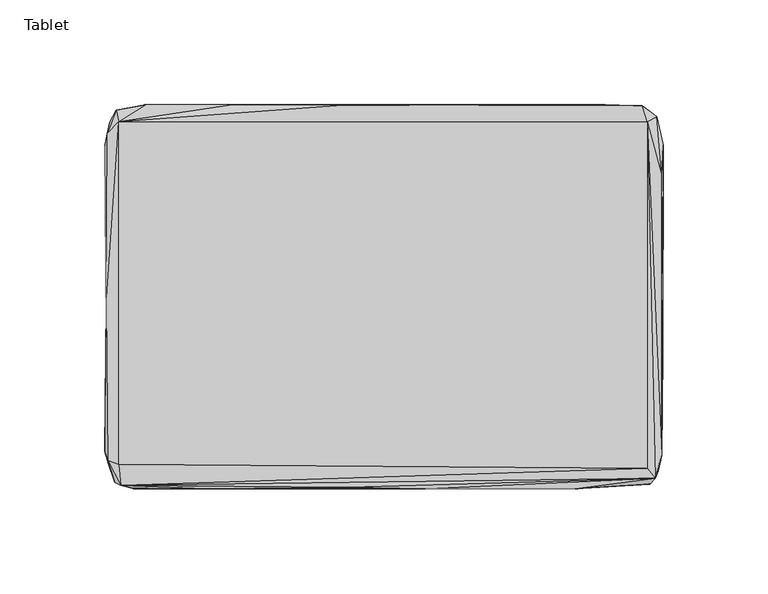
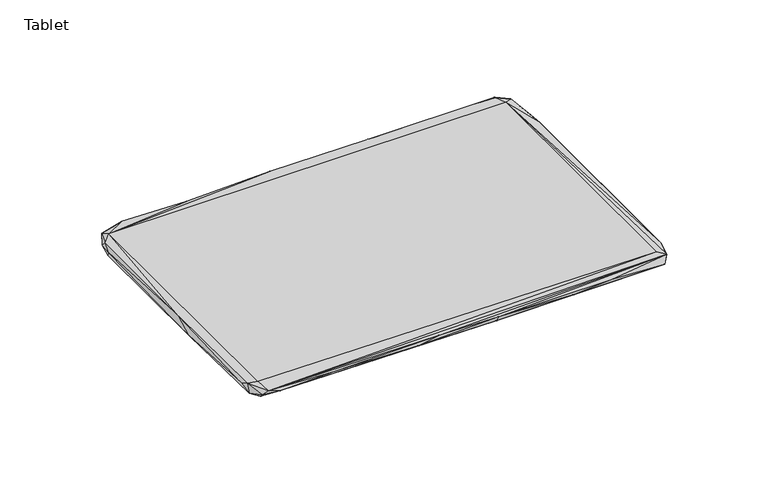
"""IFC4 building model written with IfcOpenShell, lengths in millimetres: furniture geometry, Tablet."""

from ifc_helpers import new_model, si_unit, origin, place, context, project, spatial, triangles, source, transform, mapped, element, save


def tablet_409a321f(model_context):
    return source(origin(), model_context, "Body", "Tessellation", [
        triangles([(-126.6810484, -80.2344558, 7.1543172), (125.8412559, -82.1344397, 7.1543172), (-126.6810484, 83.6998783, 7.1543172), (125.8412559, 83.5998844, 7.1543172)], [[1, 2, 3], [2, 4, 3]], closed=False),
        triangles([(101.8138708, 91.9448783, 5.7810175), (123.392005, 91.3448877, 6.5810175), (122.8920083, 90.644885, 3.2810177), (129.1920053, 87.1448806, 1.7810174), (130.4920167, 86.2448811, 6.1810175), (125.8920159, 83.6448853, 7.1810178), (-133.4236238, -74.0120113, 4.8810174), (-132.7236302, -15.0311819, 0.4810175), (-131.8236306, -79.7120131, 0.4810175), (-132.1236305, -78.4120107, 6.6810176), (-132.8236331, -3.6311817, 6.5810175), (-128.72362, -88.9120057, 4.1810175), (-125.8236335, -90.3120111, 6.7810172), (-126.723633, -80.2120098, 7.1810178), (-128.5236322, -86.4120129, 1.6810175), (131.0920165, -83.3119932, 0.8810175), (131.7920101, -73.9119947, 0.1810175), (-128.5236322, -70.3167971, 0.0810175), (-119.3236214, -91.8120104, 5.2810174), (18.8232674, -91.2120016, 3.5810175), (127.0920153, -89.7119932, 2.6810177), (125.8920159, -82.1119938, 7.1810178), (-126.723633, 83.6448672, 7.1810178), (-84.4673642, -91.9120133, 6.2810171), (-17.5548685, -91.3120045, 6.7810172), (129.6920202, -87.0119945, 6.8810174), (-31.2329886, -92.0120072, 4.8810174), (20.0013886, -91.9120043, 6.3810178), (67.4576466, -91.9119952, 4.4810176), (91.2357646, -91.9119952, 6.2810171), (132.6920096, -76.0119937, 6.6810176), (133.3920033, -27.6263706, 1.1810175), (132.0920099, 75.3448832, 0.1810175), (133.5920092, 72.4496702, 4.1810175), (132.8920156, 58.0496726, 6.4810174), (-130.2236283, 74.2448641, 0.1810175), (-132.3236182, 77.9448699, 6.4810174), (-133.5236268, 72.0496538, 3.8810174), (-132.8236331, 73.8448658, 0.3810175), (-131.1236279, 83.4448703, 0.8810175), (-128.0236264, 89.3448644, 4.4810176), (-124.623634, 89.2448615, 2.5810175), (-113.7455099, 91.9448693, 5.7810175), (-72.2892603, 91.9448693, 4.9810175), (-19.3330042, 91.7448724, 6.5810175), (42.7794927, 91.5448755, 6.5810175)], [[1, 2, 3], [3, 2, 4], [2, 5, 4], [2, 6, 5], [7, 8, 9], [7, 10, 11], [7, 9, 10], [7, 11, 8], [10, 9, 12], [10, 12, 13], [10, 14, 11], [10, 13, 14], [9, 15, 12], [9, 16, 15], [9, 17, 16], [9, 18, 17], [9, 8, 18], [12, 19, 13], [12, 15, 19], [15, 20, 19], [15, 21, 20], [15, 16, 21], [14, 13, 22], [14, 23, 11], [13, 24, 25], [13, 25, 26], [13, 26, 22], [13, 19, 24], [19, 20, 27], [19, 27, 24], [24, 27, 25], [27, 20, 28], [27, 28, 25], [25, 28, 26], [20, 21, 29], [20, 29, 28], [28, 30, 26], [28, 29, 30], [29, 21, 30], [30, 21, 26], [22, 26, 6], [21, 16, 26], [26, 16, 31], [26, 31, 6], [16, 17, 32], [16, 32, 31], [17, 18, 33], [17, 33, 32], [31, 32, 34], [31, 34, 35], [31, 35, 6], [18, 8, 36], [18, 36, 33], [32, 33, 34], [11, 23, 37], [11, 38, 8], [11, 37, 38], [8, 38, 39], [8, 39, 36], [38, 37, 40], [38, 40, 39], [35, 34, 5], [35, 5, 6], [34, 4, 5], [34, 33, 4], [39, 40, 36], [37, 41, 40], [37, 23, 41], [40, 41, 42], [40, 42, 4], [40, 4, 33], [40, 33, 36], [41, 43, 42], [41, 23, 43], [23, 44, 43], [23, 45, 44], [23, 46, 45], [23, 6, 46], [42, 3, 4], [42, 43, 44], [42, 44, 3], [44, 46, 1], [44, 45, 46], [44, 1, 3], [46, 6, 2], [46, 2, 1]], closed=False),
    ])


if __name__ == "__main__":
    model = new_model("IFC4")
    model_context = context("Model", 3, world=origin())
    ifc_project = project(units=[si_unit("LENGTHUNIT", "METRE", prefix="MILLI")], contexts=[model_context])
    site = spatial("IfcSite", under=ifc_project)
    building = spatial("IfcBuilding", under=site)
    placement = place(None, origin())
    tablet_shape = tablet_409a321f(model_context)
    element("IfcFurniture", 1, ObjectType="Tablet", at=placement, inside=building, context=model_context, shape_type="MappedRepresentation", body=[
        mapped(tablet_shape, transform((0.0, 0.0, 0.0), x_axis=(1.0, 0.0, 0.0), y_axis=(0.0, 1.0, 0.0), z_axis=(0.0, 0.0, 1.0))),
    ])
    save(model, "model.ifc")
